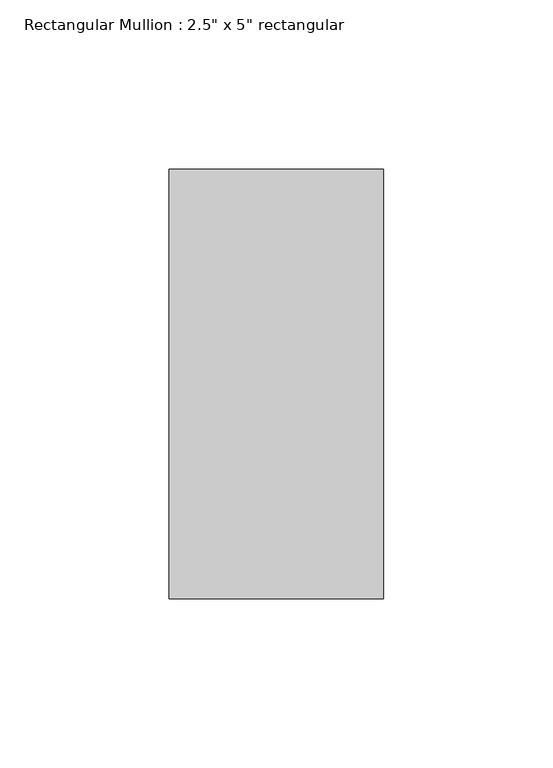
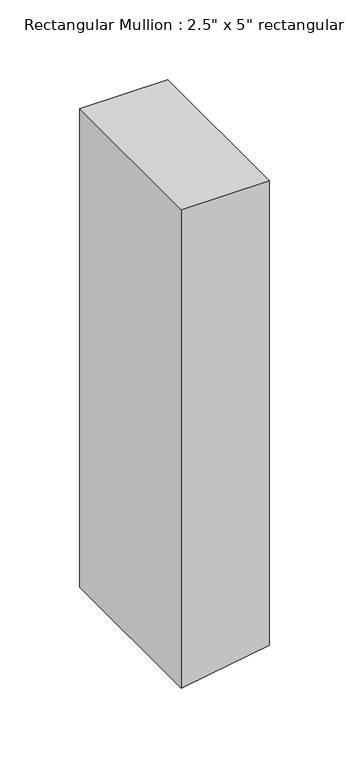
"""IFC4 building model written with IfcOpenShell, lengths in millimetres: member geometry."""

from ifc_helpers import new_model, si_unit, frame, origin, place, context, project, spatial, polyline, outline, extrude, source, transform, mapped, element, save


def member_95a74284(model_context):
    return source(origin(), model_context, "Body", "SweptSolid", [
        extrude(outline(polyline([(0.0, 31.75), (0.0, -31.75), (-365.7124359, -31.75), (-361.9686689, -10.6062938), (-355.1169947, 31.75), (0.0, 31.75)])), frame((0.0, -63.5, 0.0), z_axis=(0.0, 1.0, 0.0), x_axis=(0.0, 0.0, 1.0)), (0.0, 0.0, 1.0), 127.0),
    ])


if __name__ == "__main__":
    model = new_model("IFC4")
    model_context = context("Model", 3, world=origin())
    ifc_project = project(units=[si_unit("LENGTHUNIT", "METRE", prefix="MILLI")], contexts=[model_context])
    site = spatial("IfcSite", under=ifc_project)
    building = spatial("IfcBuilding", under=site)
    placement = place(None, origin())
    member_shape = member_95a74284(model_context)
    element("IfcMember", 1, ObjectType="Rectangular Mullion : 2.5\" x 5\" rectangular", at=placement, inside=building, context=model_context, shape_type="MappedRepresentation", body=[
        mapped(member_shape, transform((0.0, 0.0, 0.0), x_axis=(1.0, 0.0, 0.0), y_axis=(0.0, 1.0, 0.0), z_axis=(0.0, 0.0, 1.0))),
    ])
    save(model, "model.ifc")
